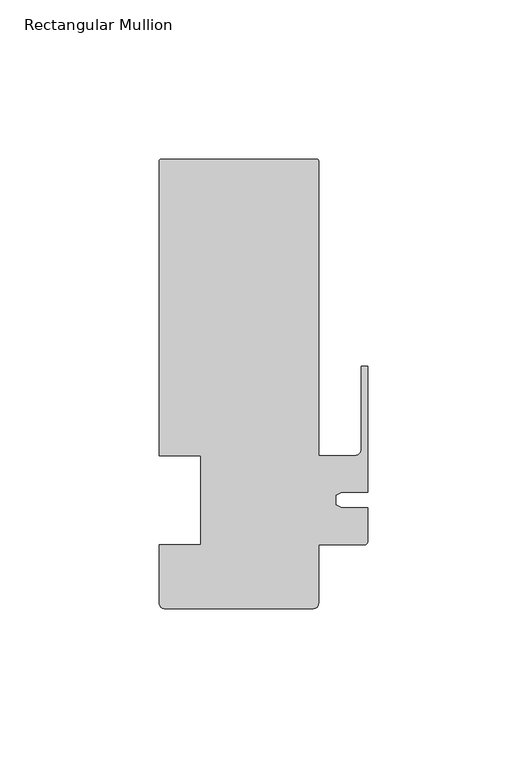
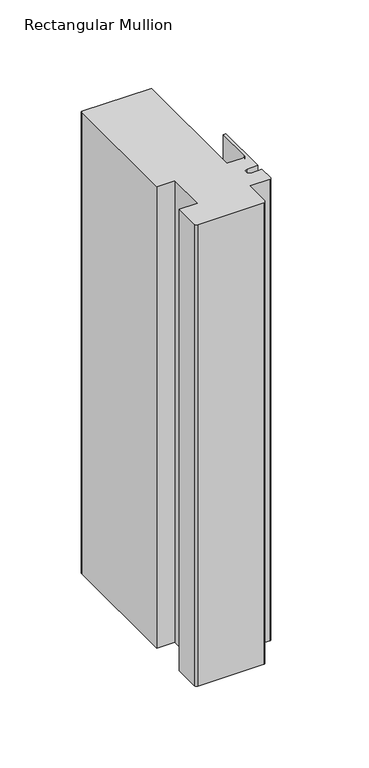
"""IFC4 building model written with IfcOpenShell, lengths in millimetres: member geometry, Rectangular Mullion."""

from ifc_helpers import new_model, si_unit, frame, origin, place, context, project, spatial, polyline, circle_curve, source, transform, mapped, element, save
from ifc_brep_helpers import plane_surface, cylinder_surface, revolved_surface, advanced_brep


def rectangular_mullion_f232be91(model_context):
    return source(origin(), model_context, "Body", "AdvancedBrep", [
        advanced_brep(
        [(-64.9119017, 107.000001, 0.0), (-65.4119017, 106.500001, 0.0), (-65.4119017, 14.0, 0.0), (-52.4119017, 14.0, 0.0), (-52.4119017, -14.0, 0.0), (-65.4119018, -14.0, 0.0), (-65.4119018, -32.4268412, 0.0), (-63.838744, -33.999999, 0.0), (-17.0294441, -33.999999, 0.0), (-15.4119017, -32.3824565, 0.0), (-15.4119017, -14.0, 0.0), (-1.0000001, -14.0, 0.0), (0.0, -12.9950012, 0.0), (0.0, -2.3717384, 0.0), (-8.0873177, -2.3717384, 0.0), (-9.9999999, -1.4798401, 0.0), (-9.9999999, 1.5598311, 0.0), (-8.1376447, 2.4282616, 0.0), (0.0, 2.4282616, 0.0), (0.0, 42.000001, 0.0), (-2.0000001, 42.000001, 0.0), (-2.0000001, 16.0000006, 0.0), (-4.0, 14.0000007, 0.0), (-15.4119017, 14.0, 0.0), (-15.4119017, 106.500001, 0.0), (-15.9119017, 107.000001, 0.0), (-64.9119017, 107.000001, -347.0919278), (-15.9119017, 107.000001, -347.0919278), (-15.4119017, 106.500001, -347.0919278), (-15.4119017, 14.0, -347.0919278), (-3.9999999, 14.0, -347.0919278), (-2.0000001, 16.0000006, -347.0919278), (-2.0000001, 42.000001, -347.0919278), (0.0, 42.000001, -347.0919278), (0.0, 2.4282616, -347.0919278), (-8.1376447, 2.4282616, -347.0919278), (-9.9999999, 1.5598311, -347.0919278), (-9.9999999, -1.4798401, -347.0919278), (-8.0873177, -2.3717384, -347.0919278), (0.0, -2.3717384, -347.0919278), (0.0, -12.9950012, -347.0919278), (-1.0000001, -13.9950013, -347.0919278), (-15.4119017, -14.0, -347.0919278), (-15.4119017, -32.3824565, -347.0919278), (-17.0294441, -33.999999, -347.0919278), (-63.838744, -33.999999, -347.0919278), (-65.4119018, -32.4268412, -347.0919278), (-65.4119018, -14.0, -347.0919278), (-52.4119017, -14.0, -347.0919278), (-52.4119017, 14.0, -347.0919278), (-65.4119017, 14.0, -347.0919278), (-65.4119017, 106.500001, -347.0919278)],
        [
            (0, 1, circle_curve(frame((-64.9119017, 106.500001, 0.0), z_axis=(0.0, 0.0, 1.0), x_axis=(-1.0, 0.0, 0.0)), 0.5)),
            (1, 2),
            (2, 3),
            (3, 4),
            (4, 5),
            (5, 6),
            (6, 7, circle_curve(frame((-63.838744, -32.4268412, 0.0), z_axis=(0.0, 0.0, 1.0), x_axis=(-1.0, 0.0, 0.0)), 1.5731578)),
            (7, 8),
            (8, 9, circle_curve(frame((-17.0294441, -32.3824565, 0.0), z_axis=(0.0, 0.0, 1.0), x_axis=(-1.0, 0.0, 0.0)), 1.6175425)),
            (9, 10),
            (10, 11),
            (11, 12, circle_curve(frame((-1.0000001, -12.9950012, 0.0), z_axis=(0.0, 0.0, 1.0), x_axis=(-1.0, 0.0, 0.0)), 1.0000001)),
            (12, 13),
            (13, 14),
            (14, 15),
            (15, 16),
            (16, 17),
            (17, 18),
            (18, 19),
            (19, 20),
            (20, 21),
            (21, 22, circle_curve(frame((-4.0, 16.0000006, 0.0), z_axis=(0.0, 0.0, -1.0), x_axis=(-1.0, 0.0, 0.0)), 1.9999999)),
            (22, 23),
            (23, 24),
            (24, 25, circle_curve(frame((-15.9119017, 106.500001, 0.0), z_axis=(0.0, 0.0, 1.0), x_axis=(-1.0, 0.0, 0.0)), 0.5)),
            (25, 0),
            (26, 27),
            (27, 28, circle_curve(frame((-15.9119017, 106.500001, -347.0919278), z_axis=(0.0, 0.0, -1.0), x_axis=(-1.0, 0.0, 0.0)), 0.5)),
            (28, 29),
            (29, 30),
            (30, 31, circle_curve(frame((-4.0, 16.0000006, -347.0919278), z_axis=(0.0, 0.0, 1.0), x_axis=(-1.0, 0.0, 0.0)), 1.9999999)),
            (31, 32),
            (32, 33),
            (33, 34),
            (34, 35),
            (35, 36),
            (36, 37),
            (37, 38),
            (38, 39),
            (39, 40),
            (40, 41, circle_curve(frame((-1.0000001, -12.9950012, -347.0919278), z_axis=(0.0, 0.0, -1.0), x_axis=(-1.0, 0.0, 0.0)), 1.0000001)),
            (41, 42),
            (42, 43),
            (43, 44, circle_curve(frame((-17.0294441, -32.3824565, -347.0919278), z_axis=(0.0, 0.0, -1.0), x_axis=(-1.0, 0.0, 0.0)), 1.6175425)),
            (44, 45),
            (45, 46, circle_curve(frame((-63.838744, -32.4268412, -347.0919278), z_axis=(0.0, 0.0, -1.0), x_axis=(-1.0, 0.0, 0.0)), 1.5731578)),
            (46, 47),
            (47, 48),
            (48, 49),
            (49, 50),
            (50, 51),
            (51, 26, circle_curve(frame((-64.9119017, 106.500001, -347.0919278), z_axis=(0.0, 0.0, -1.0), x_axis=(-1.0, 0.0, 0.0)), 0.5)),
            (0, 26),
            (51, 1),
            (50, 2),
            (49, 3),
            (48, 4),
            (47, 5),
            (46, 6),
            (45, 7),
            (44, 8),
            (43, 9),
            (42, 10),
            (41, 11),
            (40, 12),
            (39, 13),
            (38, 14),
            (37, 15),
            (36, 16),
            (35, 17),
            (34, 18),
            (33, 19),
            (32, 20),
            (31, 21),
            (30, 22),
            (29, 23),
            (28, 24),
            (27, 25),
        ],
        [
            plane_surface(frame((0.0, -125.2088723, 0.0), z_axis=(0.0, 0.0, 1.0), x_axis=(-1.0, 0.0, 0.0))),
            plane_surface(frame((0.0, -125.2088723, -347.0919278), z_axis=(0.0, 0.0, -1.0), x_axis=(-1.0, 0.0, 0.0))),
            cylinder_surface(frame((-64.9119017, 106.500001, 0.0), z_axis=(0.0, 0.0, 1.0), x_axis=(-1.0, 0.0, 0.0)), 0.5),
            plane_surface(frame((-65.4119017, 106.500001, 0.0), z_axis=(-1.0, 0.0, 0.0), x_axis=(0.0, 0.0, -1.0))),
            plane_surface(frame((-65.4119017, 14.0, 0.0), z_axis=(0.0, -1.0, 0.0), x_axis=(0.0, 0.0, -1.0))),
            plane_surface(frame((-52.4119017, 14.0, 0.0), z_axis=(-1.0, 0.0, 0.0), x_axis=(0.0, 0.0, -1.0))),
            plane_surface(frame((-52.4119017, -14.0, 0.0), z_axis=(0.0, 1.0, 0.0), x_axis=(0.0, 0.0, -1.0))),
            plane_surface(frame((-65.4119018, -14.0, 0.0), z_axis=(-1.0, 0.0, 0.0), x_axis=(0.0, 0.0, -1.0))),
            cylinder_surface(frame((-63.838744, -32.4268412, 0.0), z_axis=(0.0, 0.0, 1.0), x_axis=(-1.0, 0.0, 0.0)), 1.5731578),
            plane_surface(frame((-63.838744, -33.999999, 0.0), z_axis=(0.0, -1.0, 0.0), x_axis=(0.0, 0.0, -1.0))),
            cylinder_surface(frame((-17.0294441, -32.3824565, 0.0), z_axis=(0.0, 0.0, 1.0), x_axis=(-1.0, 0.0, 0.0)), 1.6175425),
            plane_surface(frame((-15.4119017, -32.3824565, 0.0), z_axis=(1.0, 0.0, 0.0), x_axis=(0.0, 0.0, -1.0))),
            plane_surface(frame((-15.4119017, -14.0, 0.0), z_axis=(0.0, -1.0, 0.0), x_axis=(0.0, 0.0, -1.0))),
            cylinder_surface(frame((-1.0000001, -12.9950012, 0.0), z_axis=(0.0, 0.0, 1.0), x_axis=(-1.0, 0.0, 0.0)), 1.0000001),
            plane_surface(frame((0.0, -12.9950012, 0.0), z_axis=(1.0, 0.0, 0.0), x_axis=(0.0, 0.0, -1.0))),
            plane_surface(frame((0.0, -2.3717384, 0.0), z_axis=(0.0, 1.0, 0.0), x_axis=(0.0, 0.0, -1.0))),
            plane_surface(frame((-8.0873177, -2.3717384, 0.0), z_axis=(0.42261826174182476, 0.9063077870361252, 0.0), x_axis=(0.0, 0.0, -1.0))),
            plane_surface(frame((-9.9999999, -1.4798401, 0.0), z_axis=(1.0, 0.0, 0.0), x_axis=(0.0, 0.0, -1.0))),
            plane_surface(frame((-9.9999999, 1.5598311, 0.0), z_axis=(0.4226182617404111, -0.9063077870367845, 0.0), x_axis=(0.0, 0.0, -1.0))),
            plane_surface(frame((-8.1376447, 2.4282616, 0.0), z_axis=(0.0, -1.0, 0.0), x_axis=(0.0, 0.0, -1.0))),
            plane_surface(frame((0.0, 2.4282616, 0.0), z_axis=(1.0, 0.0, 0.0), x_axis=(0.0, 0.0, -1.0))),
            plane_surface(frame((0.0, 42.000001, 0.0), z_axis=(0.0, 1.0, 0.0), x_axis=(0.0, 0.0, -1.0))),
            plane_surface(frame((-2.0000001, 42.000001, 0.0), z_axis=(-1.0, 0.0, 0.0), x_axis=(0.0, 0.0, -1.0))),
            revolved_surface(polyline([(-5.9999999, 16.0000006, -347.0919278), (-5.9999999, 16.0000006, 0.0)]), (-4.0, 16.0000006, 0.0), (0.0, 0.0, -1.0)),
            plane_surface(frame((-3.9999999, 14.0, 0.0), z_axis=(0.0, 1.0, 0.0), x_axis=(0.0, 0.0, -1.0))),
            plane_surface(frame((-15.4119017, 14.0, 0.0), z_axis=(1.0, 0.0, 0.0), x_axis=(0.0, 0.0, -1.0))),
            cylinder_surface(frame((-15.9119017, 106.500001, 0.0), z_axis=(0.0, 0.0, 1.0), x_axis=(-1.0, 0.0, 0.0)), 0.5),
            plane_surface(frame((-15.9119017, 107.000001, 0.0), z_axis=(0.0, 1.0, 0.0), x_axis=(0.0, 0.0, -1.0))),
        ],
        [
            (0, [[1, 2, 3, 4, 5, 6, 7, 8, 9, 10, 11, 12, 13, 14, 15, 16, 17, 18, 19, 20, 21, 22, 23, 24, 25, 26]]),
            (1, [[27, 28, 29, 30, 31, 32, 33, 34, 35, 36, 37, 38, 39, 40, 41, 42, 43, 44, 45, 46, 47, 48, 49, 50, 51, 52]]),
            (2, [[-1, 53, -52, 54]]),
            (3, [[-2, -54, -51, 55]]),
            (4, [[-3, -55, -50, 56]]),
            (5, [[-4, -56, -49, 57]]),
            (6, [[-5, -57, -48, 58]]),
            (7, [[-6, -58, -47, 59]]),
            (8, [[-7, -59, -46, 60]]),
            (9, [[-8, -60, -45, 61]]),
            (10, [[-9, -61, -44, 62]]),
            (11, [[-10, -62, -43, 63]]),
            (12, [[-11, -63, -42, 64]]),
            (13, [[-12, -64, -41, 65]]),
            (14, [[-13, -65, -40, 66]]),
            (15, [[-14, -66, -39, 67]]),
            (16, [[-15, -67, -38, 68]]),
            (17, [[-16, -68, -37, 69]]),
            (18, [[-17, -69, -36, 70]]),
            (19, [[-18, -70, -35, 71]]),
            (20, [[-19, -71, -34, 72]]),
            (21, [[-20, -72, -33, 73]]),
            (22, [[-21, -73, -32, 74]]),
            (23, [[-22, -74, -31, 75]]),
            (24, [[-23, -75, -30, 76]]),
            (25, [[-24, -76, -29, 77]]),
            (26, [[-25, -77, -28, 78]]),
            (27, [[-26, -78, -27, -53]]),
        ],
    ),
    ])


if __name__ == "__main__":
    model = new_model("IFC4")
    model_context = context("Model", 3, world=origin())
    ifc_project = project(units=[si_unit("LENGTHUNIT", "METRE", prefix="MILLI")], contexts=[model_context])
    site = spatial("IfcSite", under=ifc_project)
    building = spatial("IfcBuilding", under=site)
    placement = place(None, origin())
    rectangular_mullion_shape = rectangular_mullion_f232be91(model_context)
    element("IfcMember", 1, ObjectType="Rectangular Mullion", at=placement, inside=building, context=model_context, shape_type="MappedRepresentation", body=[
        mapped(rectangular_mullion_shape, transform((0.0, 0.0, 0.0), x_axis=(1.0, 0.0, 0.0), y_axis=(0.0, 1.0, 0.0), z_axis=(0.0, 0.0, 1.0))),
    ])
    save(model, "model.ifc")
